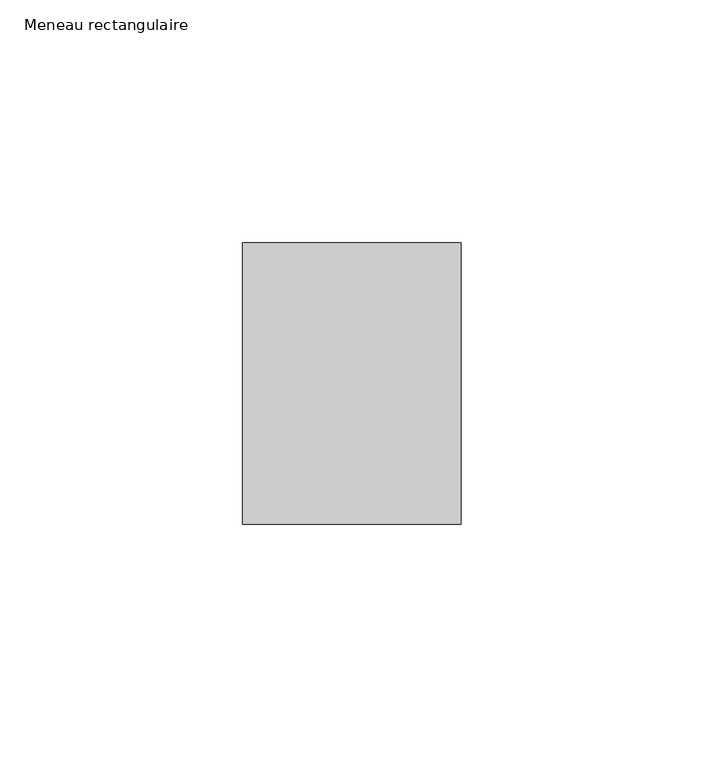
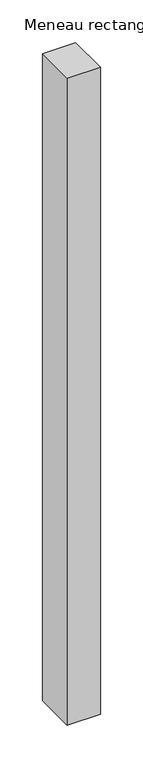
"""IFC4 building model written with IfcOpenShell, lengths in millimetres: member geometry, Meneau rectangulaire."""

from ifc_helpers import new_model, si_unit, frame, origin, place, context, project, spatial, polyline, outline, extrude, source, transform, mapped, element, save


def meneau_rectangulaire_8623b016(model_context):
    return source(origin(), model_context, "Body", "SweptSolid", [
        extrude(outline(polyline([(0.0, 29.0), (0.0, -29.0), (-45.0, -29.0), (-45.0, 29.0), (0.0, 29.0)])), frame((0.0, 0.0, -926.5040491), z_axis=(0.0, 0.0, 1.0), x_axis=(1.0, 0.0, 0.0)), (0.0, 0.0, 1.0), 926.5040491),
    ])


if __name__ == "__main__":
    model = new_model("IFC4")
    model_context = context("Model", 3, world=origin())
    ifc_project = project(units=[si_unit("LENGTHUNIT", "METRE", prefix="MILLI")], contexts=[model_context])
    site = spatial("IfcSite", under=ifc_project)
    building = spatial("IfcBuilding", under=site)
    placement = place(None, origin())
    meneau_rectangulaire_shape = meneau_rectangulaire_8623b016(model_context)
    element("IfcMember", 1, ObjectType="Meneau rectangulaire", at=placement, inside=building, context=model_context, shape_type="MappedRepresentation", body=[
        mapped(meneau_rectangulaire_shape, transform((0.0, 0.0, 0.0), x_axis=(1.0, 0.0, 0.0), y_axis=(0.0, 1.0, 0.0), z_axis=(0.0, 0.0, 1.0))),
    ])
    save(model, "model.ifc")
